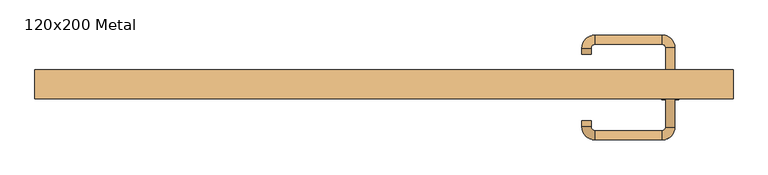
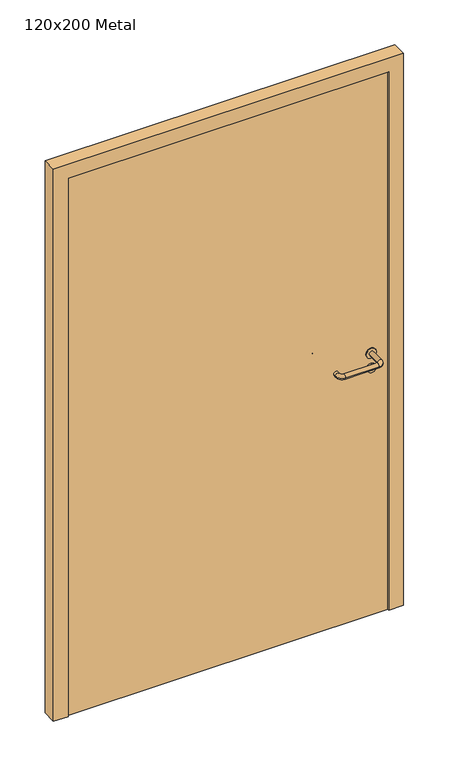
"""IFC4 building model written with IfcOpenShell, lengths in millimetres: door geometry, 120x200 Metal."""

from ifc_helpers import new_model, si_unit, point, frame, frame_2d, origin, origin_with_axes, place, context, project, spatial, polyline, circle_curve, ellipse_curve, trimmed, segment, composite_curve, outline, extrude, source, transform, mapped, element, save
from ifc_brep_helpers import plane_surface, cylinder_surface, revolved_surface, advanced_brep


def door_120x200_metal_0446acbc(model_context):
    return source(origin(), model_context, "Body", "SolidModel", [
        extrude(outline(composite_curve([segment(trimmed(circle_curve(frame_2d((897.3605726, 492.0)), 15.0), [point((897.3605726, 507.0))], [point((897.3605726, 477.0))], False, "CARTESIAN"), True, "CONTINUOUS"), segment(trimmed(circle_curve(frame_2d((897.3605726, 492.0)), 15.0), [point((897.3605726, 477.0))], [point((897.3605726, 507.0))], False, "CARTESIAN"), True, "CONTINUOUS")], self_intersect=False), holes=[composite_curve([segment(trimmed(circle_curve(frame_2d((892.5833211, 491.9398032)), 2.0), [point((892.5833211, 493.9398032))], [point((892.5833211, 489.9398032))], True, "CARTESIAN"), True, "CONTINUOUS"), segment(polyline([(892.5833211, 489.9398032), (902.5833211, 489.9398032)]), True, "CONTINUOUS"), segment(trimmed(circle_curve(frame_2d((902.5833211, 491.9398032)), 2.0), [point((902.5833211, 489.9398032))], [point((902.5833211, 493.9398032))], True, "CARTESIAN"), True, "CONTINUOUS"), segment(polyline([(902.5833211, 493.9398032), (892.5833211, 493.9398032)]), True, "CONTINUOUS")], self_intersect=False)]), frame((0.0, -15.0, 0.0), z_axis=(0.0, 1.0, 0.0), x_axis=(0.0, 0.0, 1.0)), (0.0, 0.0, 1.0), 6.35),
        extrude(outline(composite_curve([segment(trimmed(circle_curve(frame_2d((950.0, 492.0)), 17.526), [point((950.0, 509.526))], [point((950.0, 474.474))], False, "CARTESIAN"), True, "CONTINUOUS"), segment(trimmed(circle_curve(frame_2d((950.0, 492.0)), 17.526), [point((950.0, 474.474))], [point((950.0, 509.526))], False, "CARTESIAN"), True, "CONTINUOUS")], self_intersect=False)), frame((0.0, -15.0, 0.0), z_axis=(0.0, 1.0, 0.0), x_axis=(0.0, 0.0, 1.0)), (0.0, 0.0, 1.0), 3.175),
        advanced_brep(
        [(500.0, -15.0, 950.0), (484.0, -15.0, 950.0), (500.0, 38.0, 950.0), (484.0, 38.0, 950.0), (477.8578644, 44.1421356, 950.0), (477.8578644, 60.1421356, 950.0), (362.8578644, 60.1421356, 950.0), (362.8578644, 44.1421356, 950.0), (356.008622, 37.2928932, 950.0), (340.008622, 37.2928932, 950.0), (340.008622, 27.2928932, 950.0), (356.008622, 27.2928932, 950.0)],
        [
            (0, 1, circle_curve(frame((492.0, -15.0, 950.0), z_axis=(0.0, -1.0, 0.0), x_axis=(-1.0, 0.0, 0.0)), 8.0)),
            (1, 0, circle_curve(frame((492.0, -15.0, 950.0), z_axis=(0.0, -1.0, 0.0), x_axis=(-1.0, 0.0, 0.0)), 8.0)),
            (0, 2),
            (2, 3, circle_curve(frame((492.0, 38.0, 950.0), z_axis=(0.0, -1.0, 0.0), x_axis=(-1.0, 0.0, 0.0)), 8.0)),
            (3, 1),
            (3, 2, circle_curve(frame((492.0, 38.0, 950.0), z_axis=(0.0, -1.0, 0.0), x_axis=(-1.0, 0.0, 0.0)), 8.0)),
            (4, 3, circle_curve(frame((477.8578644, 38.0, 950.0), z_axis=(0.0, 0.0, -1.0), x_axis=(1.0, 0.0, 0.0)), 6.1421356)),
            (2, 5, circle_curve(frame((477.8578644, 38.0, 950.0), z_axis=(0.0, 0.0, 1.0), x_axis=(1.0, 0.0, 0.0)), 22.1421356)),
            (5, 4, circle_curve(frame((477.8578644, 52.1421356, 950.0), z_axis=(1.0, 0.0, 0.0), x_axis=(0.0, -1.0, 0.0)), 8.0)),
            (4, 5, circle_curve(frame((477.8578644, 52.1421356, 950.0), z_axis=(1.0, 0.0, 0.0), x_axis=(0.0, -1.0, 0.0)), 8.0)),
            (5, 6),
            (6, 7, circle_curve(frame((362.8578644, 52.1421356, 950.0), z_axis=(1.0, 0.0, 0.0), x_axis=(0.0, -1.0, 0.0)), 8.0)),
            (7, 4),
            (7, 6, circle_curve(frame((362.8578644, 52.1421356, 950.0), z_axis=(1.0, 0.0, 0.0), x_axis=(0.0, -1.0, 0.0)), 8.0)),
            (8, 7, circle_curve(frame((362.8578644, 37.2928932, 950.0), z_axis=(0.0, 0.0, -1.0), x_axis=(0.0, 1.0, 0.0)), 6.8492424)),
            (6, 9, circle_curve(frame((362.8578644, 37.2928932, 950.0), z_axis=(0.0, 0.0, 1.0), x_axis=(0.0, 1.0, 0.0)), 22.8492424)),
            (9, 8, circle_curve(frame((348.008622, 37.2928932, 950.0), z_axis=(0.0, 1.0, 0.0), x_axis=(1.0, 0.0, 0.0)), 8.0)),
            (8, 9, circle_curve(frame((348.008622, 37.2928932, 950.0), z_axis=(0.0, 1.0, 0.0), x_axis=(1.0, 0.0, 0.0)), 8.0)),
            (10, 11, circle_curve(frame((348.008622, 27.2928932, 950.0), z_axis=(0.0, -1.0, 0.0), x_axis=(1.0, 0.0, 0.0)), 8.0)),
            (11, 10, circle_curve(frame((348.008622, 27.2928932, 950.0), z_axis=(0.0, -1.0, 0.0), x_axis=(1.0, 0.0, 0.0)), 8.0)),
            (9, 10),
            (11, 8),
        ],
        [
            plane_surface(frame((492.0, -15.0, 170.0), z_axis=(0.0, -1.0, 0.0), x_axis=(0.0, 0.0, 1.0))),
            cylinder_surface(frame((492.0, -15.0, 950.0), z_axis=(0.0, -1.0, 0.0), x_axis=(-1.0, 0.0, 0.0)), 8.0),
            revolved_surface(trimmed(ellipse_curve(frame((492.0, 38.0, 950.0), z_axis=(0.0, -1.0, 0.0), x_axis=(-1.0, 0.0, 0.0)), 8.0, 8.0), [point((500.0, 38.0, 950.0))], [point((484.0, 38.0, 950.0))], True, "CARTESIAN"), (477.8578644, 38.0, 170.0), (0.0, 0.0, 1.0)),
            revolved_surface(trimmed(ellipse_curve(frame((492.0, 38.0, 950.0), z_axis=(0.0, -1.0, 0.0), x_axis=(-1.0, 0.0, 0.0)), 8.0, 8.0), [point((484.0, 38.0, 950.0))], [point((500.0, 38.0, 950.0))], True, "CARTESIAN"), (477.8578644, 38.0, 170.0), (0.0, 0.0, 1.0)),
            cylinder_surface(frame((477.8578644, 52.1421356, 950.0), z_axis=(1.0, 0.0, 0.0), x_axis=(0.0, -1.0, 0.0)), 8.0),
            revolved_surface(trimmed(ellipse_curve(frame((362.8578644, 52.1421356, 950.0), z_axis=(1.0, 0.0, 0.0), x_axis=(0.0, -1.0, 0.0)), 8.0, 8.0), [point((362.8578644, 60.1421356, 950.0))], [point((362.8578644, 44.1421356, 950.0))], True, "CARTESIAN"), (362.8578644, 37.2928932, 170.0), (0.0, 0.0, 1.0)),
            revolved_surface(trimmed(ellipse_curve(frame((362.8578644, 52.1421356, 950.0), z_axis=(1.0, 0.0, 0.0), x_axis=(0.0, -1.0, 0.0)), 8.0, 8.0), [point((362.8578644, 44.1421356, 950.0))], [point((362.8578644, 60.1421356, 950.0))], True, "CARTESIAN"), (362.8578644, 37.2928932, 170.0), (0.0, 0.0, 1.0)),
            plane_surface(frame((348.008622, 27.2928932, 170.0), z_axis=(0.0, -1.0, 0.0), x_axis=(0.0, 0.0, 1.0))),
            cylinder_surface(frame((348.008622, 37.2928932, 950.0), z_axis=(0.0, 1.0, 0.0), x_axis=(1.0, 0.0, 0.0)), 8.0),
        ],
        [
            (0, [[1, 2]]),
            (1, [[-1, 3, 4, 5]]),
            (1, [[-2, -5, 6, -3]]),
            (2, [[7, -4, 8, 9]]),
            (3, [[-8, -6, -7, 10]]),
            (4, [[-9, 11, 12, 13]]),
            (4, [[-10, -13, 14, -11]]),
            (5, [[15, -12, 16, 17]]),
            (6, [[-16, -14, -15, 18]]),
            (7, [[19, 20]]),
            (8, [[-17, 21, -20, 22]]),
            (8, [[-18, -22, -19, -21]]),
        ],
    ),
        extrude(outline(composite_curve([segment(trimmed(circle_curve(frame_2d((0.0, 15.0)), 15.0), [point((0.0, 30.0))], [point((0.0, 0.0))], False, "CARTESIAN"), True, "CONTINUOUS"), segment(trimmed(circle_curve(frame_2d((0.0, 15.0)), 15.0), [point((0.0, 0.0))], [point((0.0, 30.0))], False, "CARTESIAN"), True, "CONTINUOUS")], self_intersect=False), holes=[composite_curve([segment(trimmed(circle_curve(frame_2d((-4.7772515, 14.9398032)), 2.0), [point((-4.7772515, 16.9398032))], [point((-4.7772515, 12.9398032))], True, "CARTESIAN"), True, "CONTINUOUS"), segment(polyline([(-4.7772515, 12.9398032), (5.2227485, 12.9398032)]), True, "CONTINUOUS"), segment(trimmed(circle_curve(frame_2d((5.2227485, 14.9398032)), 2.0), [point((5.2227485, 12.9398032))], [point((5.2227485, 16.9398032))], True, "CARTESIAN"), True, "CONTINUOUS"), segment(polyline([(5.2227485, 16.9398032), (-4.7772515, 16.9398032)]), True, "CONTINUOUS")], self_intersect=False)]), frame((477.0, -51.35, 897.3605726), z_axis=(-1.8870575173328306e-12, 1.0, 0.0), x_axis=(0.0, 0.0, 1.0)), (0.0, 0.0, 1.0), 6.35),
        extrude(outline(composite_curve([segment(trimmed(circle_curve(frame_2d((0.0, 17.526)), 17.526), [point((0.0, 35.052))], [point((0.0, 0.0))], False, "CARTESIAN"), True, "CONTINUOUS"), segment(trimmed(circle_curve(frame_2d((0.0, 17.526)), 17.526), [point((0.0, 0.0))], [point((0.0, 35.052))], False, "CARTESIAN"), True, "CONTINUOUS")], self_intersect=False)), frame((474.474, -48.175, 950.0), z_axis=(-1.8870575173328306e-12, 1.0, 0.0), x_axis=(0.0, 0.0, 1.0)), (0.0, 0.0, 1.0), 3.175),
        advanced_brep(
        [(500.0, -45.0, 950.0), (484.0, -45.0, 950.0), (484.0, -98.0, 950.0), (500.0, -98.0, 950.0), (477.8578644, -104.1421356, 950.0), (477.8578644, -120.1421356, 950.0), (362.8578644, -104.1421356, 950.0), (362.8578644, -120.1421356, 950.0), (356.008622, -97.2928932, 950.0), (340.008622, -97.2928932, 950.0), (340.008622, -87.2928932, 950.0), (356.008622, -87.2928932, 950.0)],
        [
            (0, 1, circle_curve(frame((492.0, -45.0, 950.0), z_axis=(-1.888672253512351e-12, 1.0, 0.0), x_axis=(-1.0, -1.888672253512351e-12, 0.0)), 8.0)),
            (1, 0, circle_curve(frame((492.0, -45.0, 950.0), z_axis=(-1.888672253512351e-12, 1.0, 0.0), x_axis=(-1.0, -1.888672253512351e-12, 0.0)), 8.0)),
            (1, 2),
            (2, 3, circle_curve(frame((492.0, -98.0, 950.0), z_axis=(-1.888672253512351e-12, 1.0, 0.0), x_axis=(-1.0, -1.888672253512351e-12, 0.0)), 8.0)),
            (3, 0),
            (3, 2, circle_curve(frame((492.0, -98.0, 950.0), z_axis=(-1.888672253512351e-12, 1.0, 0.0), x_axis=(-1.0, -1.888672253512351e-12, 0.0)), 8.0)),
            (4, 5, circle_curve(frame((477.8578644, -112.1421356, 950.0), z_axis=(1.0, 1.913702061528922e-12, 0.0), x_axis=(-1.913702061528922e-12, 1.0, 0.0)), 8.0)),
            (5, 3, circle_curve(frame((477.8578644, -98.0, 950.0), z_axis=(0.0, 0.0, 1.0), x_axis=(1.0, 1.880717803715015e-12, 0.0)), 22.1421356)),
            (2, 4, circle_curve(frame((477.8578644, -98.0, 950.0), z_axis=(0.0, 0.0, -1.0), x_axis=(1.0, 1.880717803715015e-12, 0.0)), 6.1421356)),
            (5, 4, circle_curve(frame((477.8578644, -112.1421356, 950.0), z_axis=(1.0, 1.913702061528922e-12, 0.0), x_axis=(-1.913702061528922e-12, 1.0, 0.0)), 8.0)),
            (4, 6),
            (6, 7, circle_curve(frame((362.8578644, -112.1421356, 950.0), z_axis=(1.0, 1.913719828541269e-12, 0.0), x_axis=(-1.913719828541269e-12, 1.0, 0.0)), 8.0)),
            (7, 5),
            (7, 6, circle_curve(frame((362.8578644, -112.1421356, 950.0), z_axis=(1.0, 1.913719828541269e-12, 0.0), x_axis=(-1.913719828541269e-12, 1.0, 0.0)), 8.0)),
            (8, 9, circle_curve(frame((348.008622, -97.2928932, 950.0), z_axis=(1.890226565746826e-12, -1.0, 0.0), x_axis=(1.0, 1.890226565746826e-12, 0.0)), 8.0)),
            (9, 7, circle_curve(frame((362.8578644, -97.2928932, 950.0), z_axis=(0.0, 0.0, 1.0), x_axis=(1.9120873253494017e-12, -1.0, 0.0)), 22.8492424)),
            (6, 8, circle_curve(frame((362.8578644, -97.2928932, 950.0), z_axis=(0.0, 0.0, -1.0), x_axis=(1.9120873253494017e-12, -1.0, 0.0)), 6.8492424)),
            (9, 8, circle_curve(frame((348.008622, -97.2928932, 950.0), z_axis=(1.890670654956676e-12, -1.0, 0.0), x_axis=(1.0, 1.890670654956676e-12, 0.0)), 8.0)),
            (10, 11, circle_curve(frame((348.008622, -87.2928932, 950.0), z_axis=(-1.8903642334018795e-12, 1.0, 0.0), x_axis=(1.0, 1.8903642334018795e-12, 0.0)), 8.0)),
            (11, 10, circle_curve(frame((348.008622, -87.2928932, 950.0), z_axis=(-1.8903642334018795e-12, 1.0, 0.0), x_axis=(1.0, 1.8903642334018795e-12, 0.0)), 8.0)),
            (8, 11),
            (10, 9),
        ],
        [
            plane_surface(frame((492.0, -45.0, 170.0), z_axis=(-1.8870575173328306e-12, 1.0, 0.0), x_axis=(0.0, 0.0, 1.0))),
            cylinder_surface(frame((492.0, -45.0, 950.0), z_axis=(-1.888672253512351e-12, 1.0, 0.0), x_axis=(-1.0, -1.888672253512351e-12, 0.0)), 8.0),
            revolved_surface(trimmed(ellipse_curve(frame((492.0, -98.0, 950.0), z_axis=(1.8823325398945356e-12, -1.0, 0.0), x_axis=(-1.0, -1.8823325398945356e-12, 0.0)), 8.0, 8.0), [point((500.0, -98.0, 950.0))], [point((484.0, -98.0, 950.0))], True, "CARTESIAN"), (477.8578644, -98.0, 170.0), (0.0, 0.0, 1.0)),
            revolved_surface(trimmed(ellipse_curve(frame((492.0, -98.0, 950.0), z_axis=(1.8823325398945356e-12, -1.0, 0.0), x_axis=(-1.0, -1.8823325398945356e-12, 0.0)), 8.0, 8.0), [point((484.0, -98.0, 950.0))], [point((500.0, -98.0, 950.0))], True, "CARTESIAN"), (477.8578644, -98.0, 170.0), (0.0, 0.0, 1.0)),
            cylinder_surface(frame((477.8578644, -112.1421356, 950.0), z_axis=(1.0, 1.913719828541269e-12, 0.0), x_axis=(-1.913719828541269e-12, 1.0, 0.0)), 8.0),
            revolved_surface(trimmed(ellipse_curve(frame((362.8578644, -112.1421356, 950.0), z_axis=(-1.0, -1.913702061528922e-12, 0.0), x_axis=(-1.913702061528922e-12, 1.0, 0.0)), 8.0, 8.0), [point((362.8578644, -120.1421356, 950.0))], [point((362.8578644, -104.1421356, 950.0))], True, "CARTESIAN"), (362.8578644, -97.2928932, 170.0), (0.0, 0.0, 1.0)),
            revolved_surface(trimmed(ellipse_curve(frame((362.8578644, -112.1421356, 950.0), z_axis=(-1.0, -1.913702061528922e-12, 0.0), x_axis=(-1.913702061528922e-12, 1.0, 0.0)), 8.0, 8.0), [point((362.8578644, -104.1421356, 950.0))], [point((362.8578644, -120.1421356, 950.0))], True, "CARTESIAN"), (362.8578644, -97.2928932, 170.0), (0.0, 0.0, 1.0)),
            plane_surface(frame((348.008622, -87.2928932, 170.0), z_axis=(-1.8887494972223595e-12, 1.0, 0.0), x_axis=(0.0, 0.0, 1.0))),
            cylinder_surface(frame((348.008622, -97.2928932, 950.0), z_axis=(1.8903642334018795e-12, -1.0, 0.0), x_axis=(1.0, 1.8903642334018795e-12, 0.0)), 8.0),
        ],
        [
            (0, [[1, 2]]),
            (1, [[3, 4, 5, -2]]),
            (1, [[-5, 6, -3, -1]]),
            (2, [[7, 8, -4, 9]]),
            (3, [[10, -9, -6, -8]]),
            (4, [[11, 12, 13, -7]]),
            (4, [[-13, 14, -11, -10]]),
            (5, [[15, 16, -12, 17]]),
            (6, [[18, -17, -14, -16]]),
            (7, [[19, 20]]),
            (8, [[21, -19, 22, -15]]),
            (8, [[-22, -20, -21, -18]]),
        ],
    ),
        extrude(outline(polyline([(1950.0, 550.0), (0.0, 550.0), (0.0, 600.0), (2000.0, 600.0), (2000.0, -600.0), (0.0, -600.0), (0.0, -550.0), (1950.0, -550.0), (1950.0, 550.0)])), frame((0.0, -50.0, 0.0), z_axis=(0.0, 1.0, 0.0), x_axis=(0.0, 0.0, 1.0)), (0.0, 0.0, 1.0), 50.0),
        extrude(outline(polyline([(-550.0, -45.0), (-550.0, -15.0), (550.0, -15.0), (550.0, -45.0), (-550.0, -45.0)])), origin_with_axes(), (0.0, 0.0, 1.0), 1950.0),
    ])


if __name__ == "__main__":
    model = new_model("IFC4")
    model_context = context("Model", 3, world=origin())
    ifc_project = project(units=[si_unit("LENGTHUNIT", "METRE", prefix="MILLI")], contexts=[model_context])
    site = spatial("IfcSite", under=ifc_project)
    building = spatial("IfcBuilding", under=site)
    placement = place(None, origin())
    door_120x200_metal_shape = door_120x200_metal_0446acbc(model_context)
    element("IfcDoor", 1, ObjectType="120x200 Metal", at=placement, inside=building, context=model_context, shape_type="MappedRepresentation", body=[
        mapped(door_120x200_metal_shape, transform((0.0, 0.0, 0.0), x_axis=(1.0, 0.0, 0.0), y_axis=(0.0, 1.0, 0.0), z_axis=(0.0, 0.0, 1.0))),
    ])
    save(model, "model.ifc")
